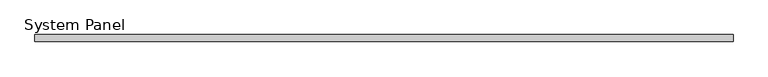
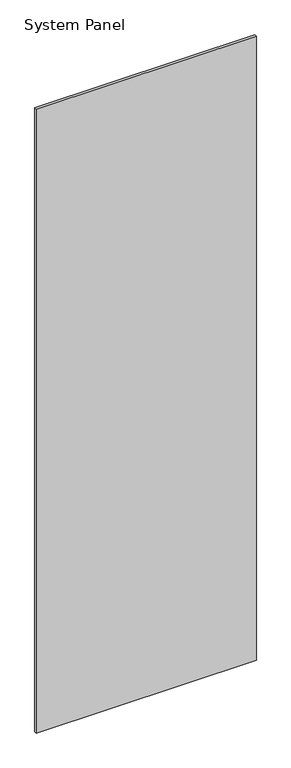
"""IFC4 building model written with IfcOpenShell, lengths in millimetres: plate geometry, System Panel."""

from ifc_helpers import new_model, si_unit, origin, origin_with_axes, place, context, project, spatial, polyline, outline, extrude, source, transform, mapped, element, save


def system_panel_33e4d303(model_context):
    return source(origin(), model_context, "Body", "SweptSolid", [
        extrude(outline(polyline([(499.7243934, -5.0), (-499.7243934, -5.0), (-499.7243934, 5.0), (499.7243934, 5.0), (499.7243934, -5.0)])), origin_with_axes(), (0.0, 0.0, 1.0), 2991.6097048),
    ])


if __name__ == "__main__":
    model = new_model("IFC4")
    model_context = context("Model", 3, world=origin())
    ifc_project = project(units=[si_unit("LENGTHUNIT", "METRE", prefix="MILLI")], contexts=[model_context])
    site = spatial("IfcSite", under=ifc_project)
    building = spatial("IfcBuilding", under=site)
    placement = place(None, origin())
    system_panel_shape = system_panel_33e4d303(model_context)
    element("IfcPlate", 1, ObjectType="System Panel", at=placement, inside=building, context=model_context, shape_type="MappedRepresentation", body=[
        mapped(system_panel_shape, transform((0.0, 0.0, 0.0), x_axis=(1.0, 0.0, 0.0), y_axis=(0.0, 1.0, 0.0), z_axis=(0.0, 0.0, 1.0))),
    ])
    save(model, "model.ifc")
